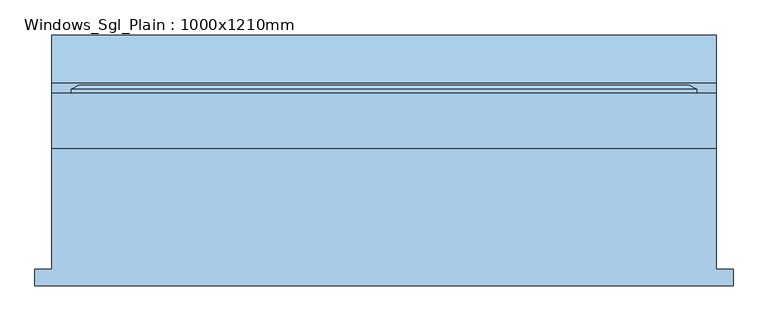
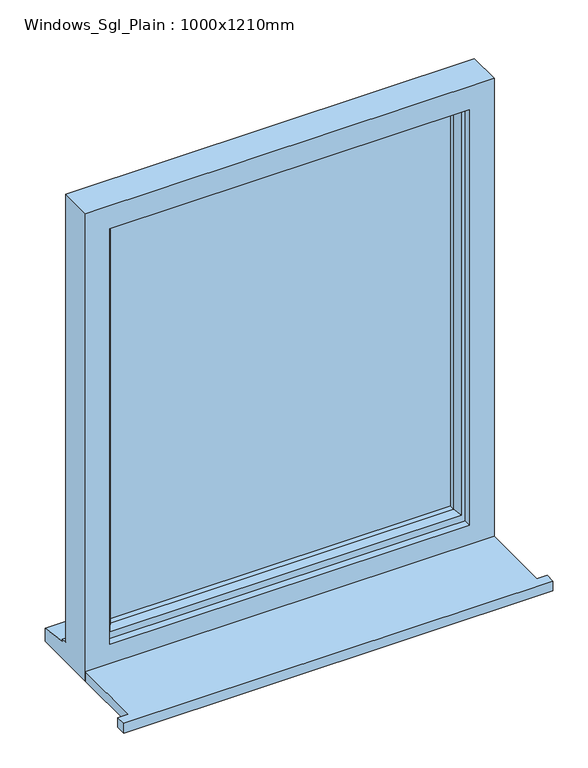
"""IFC4 building model written with IfcOpenShell, lengths in millimetres: window geometry, Windows_Sgl_Plain : 1000x1210mm."""

from ifc_helpers import new_model, si_unit, frame, origin, place, context, project, spatial, polyline, outline, extrude, faceted_brep, source, transform, mapped, element, save


def windows_sgl_plain_1000x1210mm_b4c91479(model_context):
    return source(origin(), model_context, "Body", "SolidModel", [
        extrude(outline(polyline([(-525.0, -173.7934322), (-525.0, -148.7934322), (-500.0, -148.7934322), (-500.0, 32.7065678), (500.0, 32.7065678), (500.0, -148.7934322), (525.0, -148.7934322), (525.0, -173.7934322), (-525.0, -173.7934322)])), frame((0.0, 0.0, 900.0), z_axis=(0.0, 0.0, 1.0), x_axis=(1.0, 0.0, 0.0)), (0.0, 0.0, 1.0), 25.0),
        faceted_brep([(-500.0, 32.7065678, 900.0), (500.0, 32.7065678, 900.0), (500.0, 32.7065678, 2110.0), (-500.0, 32.7065678, 2110.0), (-440.0, 32.7065678, 2050.0), (440.0, 32.7065678, 2050.0), (440.0, 32.7065678, 975.0), (-440.0, 32.7065678, 975.0), (-500.0, 115.7065678, 2110.0), (-500.0, 115.7065678, 951.0), (-500.0, 130.7065678, 949.68767), (-500.0, 130.7065678, 944.7449676), (-500.0, 203.2065678, 933.8088847), (-500.0, 203.2065678, 900.0), (500.0, 115.7065678, 2110.0), (500.0, 115.7065678, 951.0), (-460.0, 115.7065678, 2070.0), (-460.0, 115.7065678, 963.0), (460.0, 115.7065678, 963.0), (460.0, 115.7065678, 2070.0), (-460.0, 50.7065678, 2070.0), (-460.0, 50.7065678, 963.0), (460.0, 50.7065678, 2070.0), (460.0, 50.7065678, 963.0), (-440.0, 50.7065678, 2050.0), (-440.0, 50.7065678, 975.0), (440.0, 50.7065678, 975.0), (440.0, 50.7065678, 2050.0), (500.0, 203.2065678, 900.0), (500.0, 203.2065678, 933.8088847), (500.0, 130.7065678, 944.7449676), (500.0, 130.7065678, 949.68767)], [[[0, 1, 2, 3], [4, 5, 6, 7]], [[0, 3, 8, 9, 10, 11, 12, 13]], [[9, 8, 14, 15], [16, 17, 18, 19]], [[17, 16, 20, 21]], [[20, 22, 23, 21], [24, 25, 26, 27]], [[24, 4, 7, 25]], [[3, 2, 14, 8]], [[16, 19, 22, 20]], [[5, 4, 24, 27]], [[15, 14, 2, 1, 28, 29, 30, 31]], [[19, 18, 23, 22]], [[5, 27, 26, 6]], [[28, 1, 0, 13]], [[29, 28, 13, 12]], [[30, 29, 12, 11]], [[31, 30, 11, 10]], [[15, 31, 10, 9]], [[21, 23, 18, 17]], [[7, 6, 26, 25]]]),
        extrude(outline(polyline([(430.0, 79.7065678), (-430.0, 79.7065678), (-430.0, 103.7065678), (430.0, 103.7065678), (430.0, 79.7065678)])), frame((0.0, 0.0, 993.0), z_axis=(0.0, 0.0, 1.0), x_axis=(1.0, 0.0, 0.0)), (0.0, 0.0, 1.0), 1047.0),
        faceted_brep([(-470.0, 115.7065678, 2080.0), (-470.0, 121.4800705, 2080.0), (-470.0, 121.4800705, 953.0), (-470.0, 115.7065678, 953.0), (-460.0, 50.7065678, 2070.0), (-460.0, 115.7065678, 2070.0), (-460.0, 115.7065678, 963.0), (-460.0, 50.7065678, 963.0), (-420.0, 65.1994677, 2030.0), (-430.1480377, 50.7065678, 2040.1480377), (-430.1480377, 50.7065678, 992.8519623), (-420.0, 65.1994677, 1003.0), (-420.0, 79.7065678, 2030.0), (-420.0, 79.7065678, 1003.0), (-430.0, 103.7065678, 2040.0), (-430.0, 79.7065678, 2040.0), (-430.0, 79.7065678, 993.0), (-430.0, 103.7065678, 993.0), (-420.0, 121.4800705, 2030.0), (-420.0, 103.7065678, 2030.0), (-420.0, 103.7065678, 1003.0), (-420.0, 121.4800705, 1003.0), (-437.4457548, 127.2535732, 2047.4457548), (-437.4457548, 127.2535732, 985.5542452), (-459.2153903, 127.2535732, 2069.2153903), (-459.2153903, 127.2535732, 963.7846097), (470.0, 121.4800705, 953.0), (470.0, 115.7065678, 953.0), (460.0, 115.7065678, 963.0), (460.0, 50.7065678, 963.0), (430.1480377, 50.7065678, 992.8519623), (420.0, 65.1994677, 1003.0), (420.0, 79.7065678, 1003.0), (430.0, 79.7065678, 993.0), (430.0, 103.7065678, 993.0), (420.0, 103.7065678, 1003.0), (420.0, 121.4800705, 1003.0), (437.4457548, 127.2535732, 985.5542452), (459.2153903, 127.2535732, 963.7846097), (470.0, 121.4800705, 2080.0), (470.0, 115.7065678, 2080.0), (460.0, 115.7065678, 2070.0), (460.0, 50.7065678, 2070.0), (430.1480377, 50.7065678, 2040.1480377), (420.0, 65.1994677, 2030.0), (420.0, 79.7065678, 2030.0), (430.0, 79.7065678, 2040.0), (430.0, 103.7065678, 2040.0), (420.0, 103.7065678, 2030.0), (420.0, 121.4800705, 2030.0), (437.4457548, 127.2535732, 2047.4457548), (459.2153903, 127.2535732, 2069.2153903)], [[[0, 1, 2, 3]], [[4, 5, 6, 7]], [[8, 9, 10, 11]], [[12, 8, 11, 13]], [[14, 15, 16, 17]], [[18, 19, 20, 21]], [[22, 18, 21, 23]], [[1, 24, 25, 2]], [[3, 2, 26, 27]], [[7, 6, 28, 29]], [[11, 10, 30, 31]], [[13, 11, 31, 32]], [[17, 16, 33, 34]], [[21, 20, 35, 36]], [[23, 21, 36, 37]], [[2, 25, 38, 26]], [[27, 26, 39, 40]], [[29, 28, 41, 42]], [[31, 30, 43, 44]], [[32, 31, 44, 45]], [[34, 33, 46, 47]], [[36, 35, 48, 49]], [[37, 36, 49, 50]], [[26, 38, 51, 39]], [[40, 39, 1, 0]], [[3, 27, 40, 0], [5, 41, 28, 6]], [[42, 41, 5, 4]], [[7, 29, 42, 4], [9, 43, 30, 10]], [[44, 43, 9, 8]], [[45, 44, 8, 12]], [[15, 46, 33, 16], [13, 32, 45, 12]], [[47, 46, 15, 14]], [[17, 34, 47, 14], [19, 48, 35, 20]], [[49, 48, 19, 18]], [[50, 49, 18, 22]], [[24, 51, 38, 25], [23, 37, 50, 22]], [[39, 51, 24, 1]]]),
    ])


if __name__ == "__main__":
    model = new_model("IFC4")
    model_context = context("Model", 3, world=origin())
    ifc_project = project(units=[si_unit("LENGTHUNIT", "METRE", prefix="MILLI")], contexts=[model_context])
    site = spatial("IfcSite", under=ifc_project)
    building = spatial("IfcBuilding", under=site)
    placement = place(None, origin())
    windows_sgl_plain_1000x1210mm_shape = windows_sgl_plain_1000x1210mm_b4c91479(model_context)
    element("IfcWindow", 1, ObjectType="Windows_Sgl_Plain : 1000x1210mm", at=placement, inside=building, context=model_context, shape_type="MappedRepresentation", body=[
        mapped(windows_sgl_plain_1000x1210mm_shape, transform((0.0, 0.0, 0.0), x_axis=(1.0, 0.0, 0.0), y_axis=(0.0, 1.0, 0.0), z_axis=(0.0, 0.0, 1.0))),
    ])
    save(model, "model.ifc")
